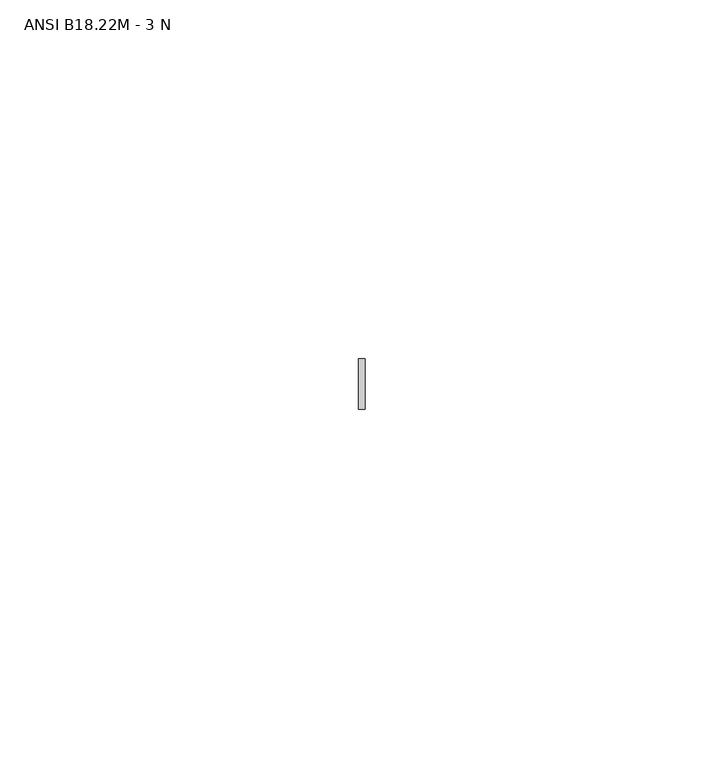
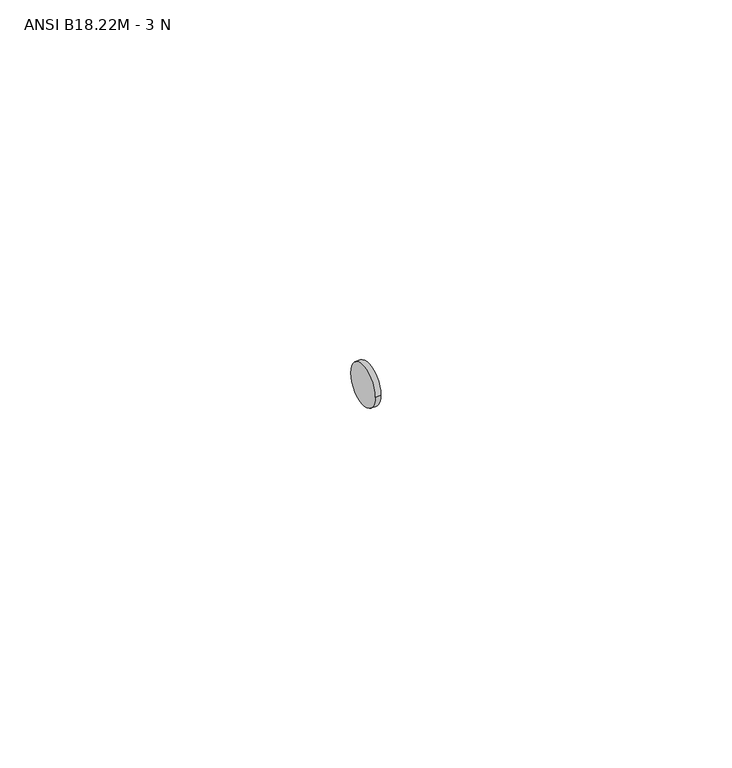
"""IFC4 building model written with IfcOpenShell, lengths in millimetres: proxy geometry, ANSI B18.22M - 3 N."""

from ifc_helpers import new_model, si_unit, point, frame, origin, origin_2d, place, context, project, spatial, circle_curve, trimmed, segment, composite_curve, outline, extrude, source, transform, mapped, element, save


def ansi_b18_22m_3_n_99c320a4(model_context):
    return source(origin(), model_context, "Body", "SweptSolid", [
        extrude(outline(composite_curve([segment(trimmed(circle_curve(origin_2d(), 3.5), [point((3.5, 0.0))], [point((-3.5, 0.0))], False, "CARTESIAN"), True, "CONTINUOUS"), segment(trimmed(circle_curve(origin_2d(), 3.5), [point((-3.5, 0.0))], [point((3.5, 0.0))], False, "CARTESIAN"), True, "CONTINUOUS")], self_intersect=False)), frame((0.0, 0.0, 0.0), z_axis=(1.0, 0.0, 0.0), x_axis=(0.0, 1.0, 0.0)), (0.0, 0.0, 1.0), 0.9),
    ])


if __name__ == "__main__":
    model = new_model("IFC4")
    model_context = context("Model", 3, world=origin())
    ifc_project = project(units=[si_unit("LENGTHUNIT", "METRE", prefix="MILLI")], contexts=[model_context])
    site = spatial("IfcSite", under=ifc_project)
    building = spatial("IfcBuilding", under=site)
    placement = place(None, origin())
    ansi_b18_22m_3_n_shape = ansi_b18_22m_3_n_99c320a4(model_context)
    element("IfcBuildingElementProxy", 1, Name="ANSI B18.22M - 3 N", ObjectType="ANSI B18.22M - 3 N", at=placement, inside=building, context=model_context, shape_type="MappedRepresentation", body=[
        mapped(ansi_b18_22m_3_n_shape, transform((0.0, 0.0, 0.0), x_axis=(1.0, 0.0, 0.0), y_axis=(0.0, 1.0, 0.0), z_axis=(0.0, 0.0, 1.0))),
    ])
    save(model, "model.ifc")
